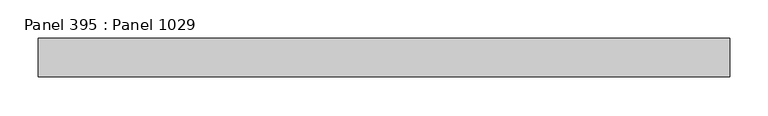
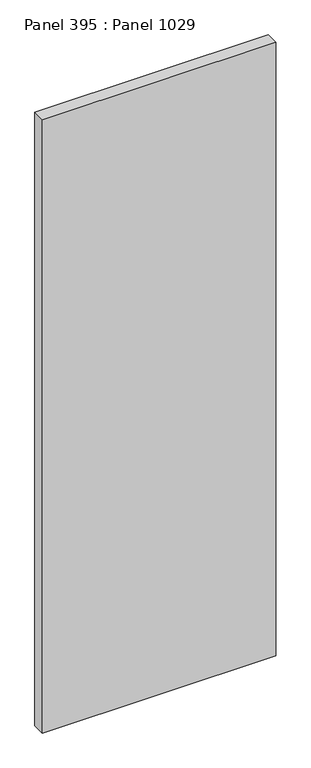
"""IFC4 building model written with IfcOpenShell, lengths in millimetres: proxy geometry, Panel 395 : Panel 1029."""

from ifc_helpers import new_model, si_unit, frame, origin, place, context, project, spatial, polyline, outline, extrude, source, transform, mapped, element, save


def panel_395_panel_1029_485daa61(model_context):
    return source(origin(), model_context, "Body", "SweptSolid", [
        extrude(outline(polyline([(27967.4761343, 344155.7855609), (27967.4761347, 344105.7855187), (27067.4761077, 344105.7855511), (27067.4761073, 344155.7855932), (27967.4761343, 344155.7855609)])), frame((0.0, 0.0, 34575.0), z_axis=(0.0, 0.0, 1.0), x_axis=(1.0, 0.0, 0.0)), (0.0, 0.0, 1.0), 2500.0),
    ])


if __name__ == "__main__":
    model = new_model("IFC4")
    model_context = context("Model", 3, world=origin())
    ifc_project = project(units=[si_unit("LENGTHUNIT", "METRE", prefix="MILLI")], contexts=[model_context])
    site = spatial("IfcSite", under=ifc_project)
    building = spatial("IfcBuilding", under=site)
    placement = place(None, origin())
    panel_395_panel_1029_shape = panel_395_panel_1029_485daa61(model_context)
    element("IfcBuildingElementProxy", 1, Name="Panel 395 : Panel 1029", ObjectType="Panel 395 : Panel 1029", at=placement, inside=building, context=model_context, shape_type="MappedRepresentation", body=[
        mapped(panel_395_panel_1029_shape, transform((0.0, 0.0, 0.0), x_axis=(1.0, 0.0, 0.0), y_axis=(0.0, 1.0, 0.0), z_axis=(0.0, 0.0, 1.0))),
    ])
    save(model, "model.ifc")
